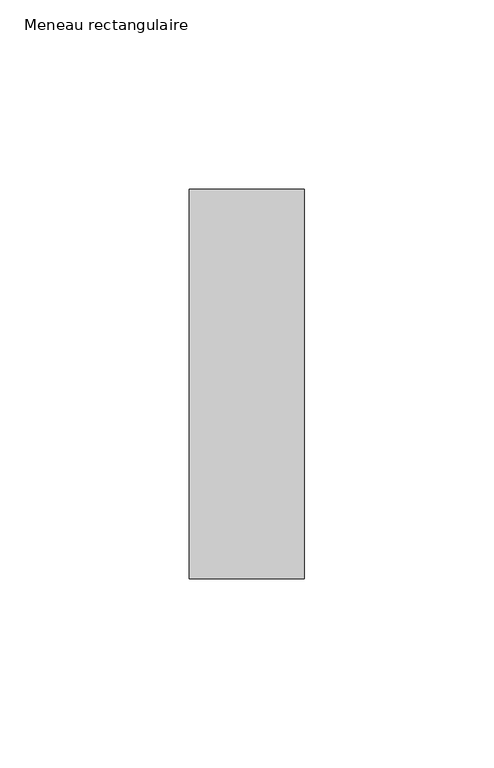
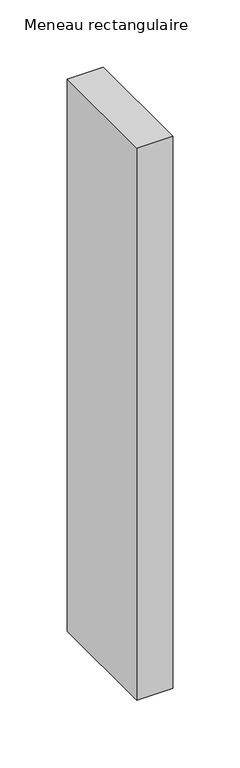
"""IFC4 building model written with IfcOpenShell, lengths in millimetres: member geometry, Meneau rectangulaire."""

from ifc_helpers import new_model, si_unit, frame, origin, place, context, project, spatial, polyline, outline, extrude, source, transform, mapped, element, save


def meneau_rectangulaire_1b626722(model_context):
    return source(origin(), model_context, "Body", "SweptSolid", [
        extrude(outline(polyline([(-15.25, 51.5), (15.25, 51.5), (15.25, -51.5), (-15.25, -51.5), (-15.25, 51.5)])), frame((0.0, 0.0, -500.0), z_axis=(0.0, 0.0, 1.0), x_axis=(1.0, 0.0, 0.0)), (0.0, 0.0, 1.0), 500.0),
    ])


if __name__ == "__main__":
    model = new_model("IFC4")
    model_context = context("Model", 3, world=origin())
    ifc_project = project(units=[si_unit("LENGTHUNIT", "METRE", prefix="MILLI")], contexts=[model_context])
    site = spatial("IfcSite", under=ifc_project)
    building = spatial("IfcBuilding", under=site)
    placement = place(None, origin())
    meneau_rectangulaire_shape = meneau_rectangulaire_1b626722(model_context)
    element("IfcMember", 1, ObjectType="Meneau rectangulaire", at=placement, inside=building, context=model_context, shape_type="MappedRepresentation", body=[
        mapped(meneau_rectangulaire_shape, transform((0.0, 0.0, 0.0), x_axis=(1.0, 0.0, 0.0), y_axis=(0.0, 1.0, 0.0), z_axis=(0.0, 0.0, 1.0))),
    ])
    save(model, "model.ifc")
